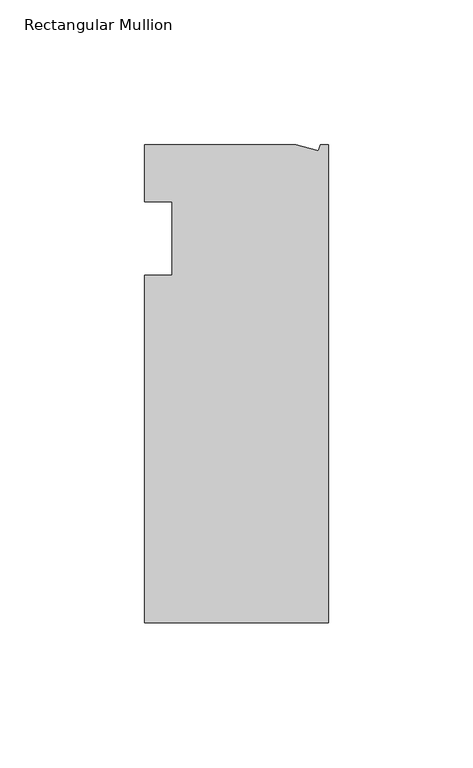
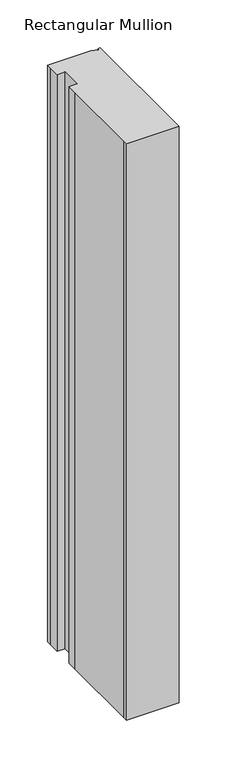
"""IFC4 building model written with IfcOpenShell, lengths in millimetres: member geometry, Rectangular Mullion."""

import ifcopenshell
import ifcopenshell.guid

model = None  # the IFC model being written
_history = None  # IfcOwnerHistory: only IFC2X3 demands one
_inside = {}  # id of a spatial element -> (the spatial element, [elements in it])
_under = {}  # id of a project, library or spatial element -> (it, [spatial elements below it])
_declared = {}  # id of a project -> (the project, [libraries it declares])
_typed = {}  # id of a type object -> (the type object, [elements of that type])
_made_of = {}  # id of a material, layer set ... -> (it, [elements and type objects made of it])


def new_model(schema):
    """Start an empty IFC model of exactly this schema.

    Asked for "IFC4X3", IfcOpenShell would pick the latest addendum, in which some entities
    have other attributes; the version numbers below select the first issue.
    IFC2X3 requires an IfcOwnerHistory on every rooted entity: one is made here for all.
    """
    global model, _history
    if schema == "IFC4X3":
        model = ifcopenshell.file(schema_version=(4, 3, 0, 0))
    else:
        model = ifcopenshell.file(schema=schema)
    _inside.clear()
    _under.clear()
    _declared.clear()
    _typed.clear()
    _made_of.clear()
    _history = None
    if model.schema == "IFC2X3":
        org = make("IfcOrganization", Name="unknown")
        user = make(
            "IfcPersonAndOrganization",
            ThePerson=make("IfcPerson", FamilyName="unknown"),
            TheOrganization=org,
        )
        app = make(
            "IfcApplication",
            ApplicationDeveloper=org,
            Version="unknown",
            ApplicationFullName="unknown",
            ApplicationIdentifier="unknown",
        )
        _history = make(
            "IfcOwnerHistory",
            OwningUser=user,
            OwningApplication=app,
            ChangeAction="ADDED",
            CreationDate=0,
        )
    return model


def make(cls, **values):
    """One entity of the class cls with the attributes given. An attribute that is None is left unset."""
    return model.create_entity(
        cls, **{name: value for name, value in values.items() if value is not None}
    )


def rooted(cls, **values):
    """An entity with a GlobalId (a new one), such as an element, a storey or a relation."""
    return make(cls, GlobalId=ifcopenshell.guid.new(), OwnerHistory=_history, **values)


def si_unit(unit_type, name, prefix=None):
    """IfcSIUnit, for example si_unit("LENGTHUNIT", "METRE", prefix="MILLI")."""
    return make("IfcSIUnit", UnitType=unit_type, Prefix=prefix, Name=name)


def assignment(units):
    """IfcUnitAssignment: the units of a project."""
    return None if units is None else make("IfcUnitAssignment", Units=units)


def point(xyz):
    """IfcCartesianPoint."""
    return None if xyz is None else make("IfcCartesianPoint", Coordinates=xyz)


def direction(xyz):
    """IfcDirection."""
    return None if xyz is None else make("IfcDirection", DirectionRatios=xyz)


def frame(location, z_axis=None, x_axis=None):
    """IfcAxis2Placement3D, a coordinate frame: its origin and axes. An axis left out is left unset."""
    return make(
        "IfcAxis2Placement3D",
        Location=point(location),
        Axis=direction(z_axis),
        RefDirection=direction(x_axis),
    )


def origin():
    """The frame at (0, 0, 0) with its axes left unset."""
    return frame((0.0, 0.0, 0.0))


def place(relative_to, where):
    """IfcLocalPlacement: puts the frame where relative to a parent placement (None: the world)."""
    return make(
        "IfcLocalPlacement", PlacementRelTo=relative_to, RelativePlacement=where
    )


def context(
    kind, dimensions, precision=None, world=None, true_north=None, identifier=None
):
    """IfcGeometricRepresentationContext, for example the 3D "Model" context."""
    return make(
        "IfcGeometricRepresentationContext",
        ContextIdentifier=identifier,
        ContextType=kind,
        CoordinateSpaceDimension=dimensions,
        Precision=precision,
        WorldCoordinateSystem=world,
        TrueNorth=true_north,
    )


def project(units=None, contexts=None):
    """IfcProject with its units and contexts."""
    return rooted(
        "IfcProject",
        Name="project",
        RepresentationContexts=contexts,
        UnitsInContext=assignment(units),
    )


def spatial(cls, under=None, at=None, **own):
    """A site, building, storey or space (cls), placed at a placement, below another one or the project."""
    s = rooted(cls, ObjectPlacement=at, **own)
    if under is not None:
        _under.setdefault(under.id(), (under, []))[1].append(s)
    return s


def polyline(points):
    """IfcPolyline through the points."""
    return make("IfcPolyline", Points=[point(p) for p in points])


def outline(outer, holes=None, kind="AREA"):
    """IfcArbitraryClosedProfileDef: a profile drawn as a closed curve; with holes, ...WithVoids."""
    if holes is None:
        return make("IfcArbitraryClosedProfileDef", ProfileType=kind, OuterCurve=outer)
    return make(
        "IfcArbitraryProfileDefWithVoids",
        ProfileType=kind,
        OuterCurve=outer,
        InnerCurves=holes,
    )


def extrude(swept, where, along, depth):
    """IfcExtrudedAreaSolid: the profile swept, set in the frame where, extruded along a direction by depth."""
    return make(
        "IfcExtrudedAreaSolid",
        SweptArea=swept,
        Position=where,
        ExtrudedDirection=direction(along),
        Depth=depth,
    )


def shape(context_of_items, identifier, shape_type, items):
    """IfcShapeRepresentation: the items that make up one representation, for example the "Body"."""
    return make(
        "IfcShapeRepresentation",
        ContextOfItems=context_of_items,
        RepresentationIdentifier=identifier,
        RepresentationType=shape_type,
        Items=items,
    )


def source(mapping_origin, context_of_items, identifier, shape_type, items):
    """IfcRepresentationMap: a shape defined once, which mapped items show again and again."""
    return make(
        "IfcRepresentationMap",
        MappingOrigin=mapping_origin,
        MappedRepresentation=shape(context_of_items, identifier, shape_type, items),
    )


def transform(
    local_origin,
    x_axis=None,
    y_axis=None,
    z_axis=None,
    scale=None,
    scale2=None,
    scale3=None,
    uniform=True,
):
    """IfcCartesianTransformationOperator3D, or its non-uniform kind. x_axis, y_axis, z_axis: its Axis1, 2, 3."""
    if uniform:
        return make(
            "IfcCartesianTransformationOperator3D",
            Axis1=direction(x_axis),
            Axis2=direction(y_axis),
            LocalOrigin=point(local_origin),
            Scale=scale,
            Axis3=direction(z_axis),
        )
    return make(
        "IfcCartesianTransformationOperator3DnonUniform",
        Axis1=direction(x_axis),
        Axis2=direction(y_axis),
        LocalOrigin=point(local_origin),
        Scale=scale,
        Axis3=direction(z_axis),
        Scale2=scale2,
        Scale3=scale3,
    )


def mapped(mapping_source, mapping_target):
    """IfcMappedItem: shows the shape of a source again, moved by a transform."""
    return make(
        "IfcMappedItem", MappingSource=mapping_source, MappingTarget=mapping_target
    )


def made_of(thing, what):
    """Note that an element or type object is made of a material, layer set ...; save() writes the relation."""
    if what is not None:
        _made_of.setdefault(what.id(), (what, []))[1].append(thing)
    return thing


def element(
    cls,
    number,
    at=None,
    inside=None,
    cuts=None,
    type_object=None,
    material=None,
    context=None,
    identifier="Body",
    shape_type=None,
    held_by="IfcProductDefinitionShape",
    body=None,
    shapes=None,
    **own,
):
    """One element of the class cls, such as IfcWall. Its Tag is "e" and its number.

    at: its placement. inside: the storey or other place that contains it. cuts: it is an
    opening in that element (IfcRelVoidsElement). A single representation is given by context,
    identifier, shape_type and body (its items); several are given by shapes. held_by: the class
    of the entity that holds the representations. save() writes the other relations.
    """
    e = rooted(cls, Tag="e%d" % number, ObjectPlacement=at, **own)
    if body is not None:
        shapes = [shape(context, identifier, shape_type, body)]
    if shapes is not None:
        e.Representation = make(held_by, Representations=shapes)
    if inside is not None:
        _inside.setdefault(inside.id(), (inside, []))[1].append(e)
    if cuts is not None:
        rooted(
            "IfcRelVoidsElement", RelatingBuildingElement=cuts, RelatedOpeningElement=e
        )
    if type_object is not None:
        _typed.setdefault(type_object.id(), (type_object, []))[1].append(e)
    return made_of(e, material)


def aggregate(whole, parts):
    """IfcRelAggregates: a whole, such as a stair, and the parts it consists of."""
    return rooted("IfcRelAggregates", RelatingObject=whole, RelatedObjects=parts)


def save(model, path):
    """Write the relations noted so far, then the file.

    IfcRelAggregates (storeys below a building ...), IfcRelContainedInSpatialStructure (elements
    in a storey), IfcRelDefinesByType, IfcRelAssociatesMaterial and IfcRelDeclares: one each for
    every whole, place, type object, material and project.
    """
    for whole, parts in _under.values():
        aggregate(whole, parts)
    for where, things in _inside.values():
        rooted(
            "IfcRelContainedInSpatialStructure",
            RelatedElements=things,
            RelatingStructure=where,
        )
    for kind, things in _typed.values():
        rooted("IfcRelDefinesByType", RelatedObjects=things, RelatingType=kind)
    for what, things in _made_of.values():
        rooted("IfcRelAssociatesMaterial", RelatedObjects=things, RelatingMaterial=what)
    for by, libraries in _declared.values():
        rooted("IfcRelDeclares", RelatingContext=by, RelatedDefinitions=libraries)
    model.write(path)


def rectangular_mullion_95cf000b(model_context):
    return source(origin(), model_context, "Body", "SweptSolid", [
        extrude(outline(polyline([(-11.1265412, 19.6597595), (-3.3457217, 17.5748952), (-2.787084, 19.6597595), (0.0, 19.6597595), (0.0, -145.4402405), (-63.5, -145.4402405), (-63.5, -139.0912246), (-63.5, -38.3358837), (-63.5, -25.4), (-53.975, -25.4), (-53.975, 0.0), (-63.5, 0.0), (-63.5, 13.6093403), (-63.5, 19.6597595), (-11.1265412, 19.6597595)])), frame((0.0, 0.0, -736.6), z_axis=(0.0, 0.0, 1.0), x_axis=(1.0, 0.0, 0.0)), (0.0, 0.0, 1.0), 736.6),
    ])


if __name__ == "__main__":
    model = new_model("IFC4")
    model_context = context("Model", 3, world=origin())
    ifc_project = project(units=[si_unit("LENGTHUNIT", "METRE", prefix="MILLI")], contexts=[model_context])
    site = spatial("IfcSite", under=ifc_project)
    building = spatial("IfcBuilding", under=site)
    placement = place(None, origin())
    rectangular_mullion_shape = rectangular_mullion_95cf000b(model_context)
    element("IfcMember", 1, ObjectType="Rectangular Mullion", at=placement, inside=building, context=model_context, shape_type="MappedRepresentation", body=[
        mapped(rectangular_mullion_shape, transform((0.0, 0.0, 0.0), x_axis=(1.0, 0.0, 0.0), y_axis=(0.0, 1.0, 0.0), z_axis=(0.0, 0.0, 1.0))),
    ])
    save(model, "model.ifc")
